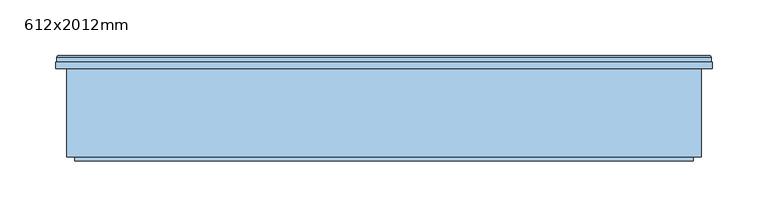
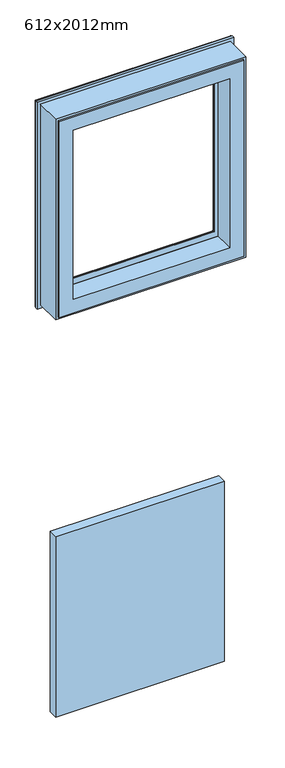
"""IFC4 building model written with IfcOpenShell, lengths in millimetres: window geometry, 612x2012mm."""

from ifc_helpers import new_model, si_unit, frame, origin, place, context, project, spatial, polyline, ellipse_curve, outline, extrude, faceted_brep, source, transform, mapped, element, save
from ifc_brep_helpers import plane_surface, cylinder_surface, revolved_surface, advanced_brep


def window_612x2012mm_6a4050a6(model_context):
    return source(origin(), model_context, "Body", "SolidModel", [
        extrude(outline(polyline([(252.0, 118.5000016), (-252.0, 118.5000016), (-252.0, 146.5000016), (252.0, 146.5000016), (252.0, 118.5000016)])), frame((0.0, 0.0, 854.0), z_axis=(0.0, 0.0, 1.0), x_axis=(1.0, 0.0, 0.0)), (0.0, 0.0, 1.0), 570.6666667),
        faceted_brep([(-256.0, 142.5000017, 2762.0), (-256.0, 118.5000018, 2762.0), (-256.0, 118.5000018, 2183.3333333), (-256.0, 142.5000017, 2183.3333333), (-284.0, 63.3258286, 2790.0), (-284.0, 142.5000017, 2790.0), (-284.0, 142.5000017, 2155.3333333), (-284.0, 63.3258286, 2155.3333333), (-277.2, 59.5000018, 2783.2), (-277.2, 63.3258286, 2783.2), (-277.2, 63.3258286, 2162.1333333), (-277.2, 59.5000018, 2162.1333333), (-234.0, 118.5000018, 2740.0), (-234.0, 59.5000018, 2740.0), (-234.0, 59.5000018, 2205.3333333), (-234.0, 118.5000018, 2205.3333333), (256.0, 118.5000018, 2183.3333333), (256.0, 142.5000017, 2183.3333333), (284.0, 142.5000017, 2155.3333333), (284.0, 63.3258286, 2155.3333333), (277.2, 63.3258286, 2162.1333333), (277.2, 59.5000018, 2162.1333333), (234.0, 59.5000018, 2205.3333333), (234.0, 118.5000018, 2205.3333333), (256.0, 118.5000018, 2762.0), (256.0, 142.5000017, 2762.0), (284.0, 142.5000017, 2790.0), (284.0, 63.3258286, 2790.0), (277.2, 63.3258286, 2783.2), (277.2, 59.5000018, 2783.2), (234.0, 59.5000018, 2740.0), (234.0, 118.5000018, 2740.0)], [[[0, 1, 2, 3]], [[4, 5, 6, 7]], [[8, 9, 10, 11]], [[12, 13, 14, 15]], [[3, 2, 16, 17]], [[7, 6, 18, 19]], [[11, 10, 20, 21]], [[15, 14, 22, 23]], [[17, 16, 24, 25]], [[19, 18, 26, 27]], [[21, 20, 28, 29]], [[23, 22, 30, 31]], [[25, 24, 1, 0]], [[5, 26, 18, 6], [3, 17, 25, 0]], [[27, 26, 5, 4]], [[7, 19, 27, 4], [9, 28, 20, 10]], [[29, 28, 9, 8]], [[11, 21, 29, 8], [13, 30, 22, 14]], [[31, 30, 13, 12]], [[1, 24, 16, 2], [15, 23, 31, 12]]]),
        advanced_brep(
        [(-293.0, 152.5000018, 2799.0), (-291.5000001, 154.0000016, 2797.5000001), (-291.5000001, 154.0000016, 2147.8333332), (-293.0, 152.5000018, 2146.3333334), (-293.0, 148.3866107, 2799.0), (-293.0, 148.3866107, 2146.3333334), (-294.0, 142.5000017, 2800.0), (-294.0, 148.3866107, 2800.0), (-294.0, 148.3866107, 2145.3333333), (-294.0, 142.5000017, 2145.3333333), (-256.0, 146.5000019, 2762.0), (-256.0, 142.5000017, 2762.0), (-256.0, 142.5000017, 2183.3333333), (-256.0, 146.5000019, 2183.3333333), (-237.5192538, 147.4871074, 2743.5192538), (-237.4938789, 146.5000019, 2743.4938789), (-237.4938789, 146.5000019, 2201.8394544), (-237.5192538, 147.4871074, 2201.8140795), (-239.5962483, 148.7951832, 2745.5962483), (-239.5962483, 148.7951832, 2199.737085), (-240.0, 149.7544748, 2746.0), (-240.0, 149.7544748, 2199.3333334), (-240.0, 153.0000016, 2746.0), (-240.0, 153.0000016, 2199.3333334), (-240.5, 153.5000016, 2746.5), (-240.5, 153.5000016, 2198.8333333), (-256.514074, 154.0000016, 2762.514074), (-255.8, 153.5000016, 2761.8), (-255.8, 153.5000016, 2183.5333333), (-256.514074, 154.0000016, 2182.8192593), (291.5000001, 154.0000016, 2147.8333332), (293.0, 152.5000018, 2146.3333334), (293.0, 148.3866107, 2146.3333334), (294.0, 148.3866107, 2145.3333333), (294.0, 142.5000017, 2145.3333333), (256.0, 142.5000017, 2183.3333333), (256.0, 146.5000019, 2183.3333333), (237.4938789, 146.5000019, 2201.8394544), (237.5192538, 147.4871074, 2201.8140795), (239.5962483, 148.7951832, 2199.737085), (240.0, 149.7544748, 2199.3333334), (240.0, 153.0000016, 2199.3333334), (240.5, 153.5000016, 2198.8333333), (255.8, 153.5000016, 2183.5333333), (256.514074, 154.0000016, 2182.8192593), (291.5000001, 154.0000016, 2797.5000001), (293.0, 152.5000018, 2799.0), (293.0, 148.3866107, 2799.0), (294.0, 148.3866107, 2800.0), (294.0, 142.5000017, 2800.0), (256.0, 142.5000017, 2762.0), (256.0, 146.5000019, 2762.0), (237.4938789, 146.5000019, 2743.4938789), (237.5192538, 147.4871074, 2743.5192538), (239.5962483, 148.7951832, 2745.5962483), (240.0, 149.7544748, 2746.0), (240.0, 153.0000016, 2746.0), (240.5, 153.5000016, 2746.5), (255.8, 153.5000016, 2761.8), (256.514074, 154.0000016, 2762.514074)],
        [
            (0, 1, ellipse_curve(frame((-291.5000001, 152.5000018, 2797.5000001), z_axis=(-0.7071067811865475, 0.0, -0.7071067811865475), x_axis=(-0.7071067811865474, 0.0, 0.7071067811865476)), 2.1213201, 1.4999998)),
            (1, 2),
            (2, 3, ellipse_curve(frame((-291.5000001, 152.5000018, 2147.8333332), z_axis=(-0.7071067811865475, 0.0, 0.7071067811865475), x_axis=(0.7071067811865474, 0.0, 0.7071067811865476)), 2.1213201, 1.4999998)),
            (3, 0),
            (4, 0),
            (3, 5),
            (5, 4),
            (6, 7),
            (7, 8),
            (8, 9),
            (9, 6),
            (10, 11),
            (11, 12),
            (12, 13),
            (13, 10),
            (14, 15, ellipse_curve(frame((-237.4938789, 146.9938808, 2743.4938789), z_axis=(-0.7071067811865475, 0.0, -0.7071067811865475), x_axis=(-0.7071067811865474, 0.0, 0.7071067811865476)), 0.6984503, 0.4938789)),
            (15, 16),
            (16, 17, ellipse_curve(frame((-237.4938789, 146.9938808, 2201.8394544), z_axis=(-0.7071067811865475, 0.0, 0.7071067811865475), x_axis=(0.7071067811865474, 0.0, 0.7071067811865476)), 0.6984503, 0.4938789)),
            (17, 14),
            (18, 14, ellipse_curve(frame((-237.6227187, 149.6258125, 2743.6227187), z_axis=(0.7071067811865475, 0.0, 0.7071067811865475), x_axis=(0.7071067811865474, 0.0, -0.7071067811865476)), 3.028123, 2.1412063)),
            (17, 19, ellipse_curve(frame((-237.6227187, 149.6258125, 2201.7106146), z_axis=(0.7071067811865475, 0.0, -0.7071067811865475), x_axis=(-0.7071067811865474, 0.0, -0.7071067811865476)), 3.028123, 2.1412063)),
            (19, 18),
            (20, 18),
            (19, 21),
            (21, 20),
            (22, 20),
            (21, 23),
            (23, 22),
            (24, 22, ellipse_curve(frame((-240.5, 153.0000016, 2746.5), z_axis=(-0.7071067811865475, 0.0, -0.7071067811865475), x_axis=(-0.7071067811865474, 0.0, 0.7071067811865476)), 0.7071068, 0.5)),
            (23, 25, ellipse_curve(frame((-240.5, 153.0000016, 2198.8333333), z_axis=(-0.7071067811865475, 0.0, 0.7071067811865475), x_axis=(0.7071067811865474, 0.0, 0.7071067811865476)), 0.7071068, 0.5)),
            (25, 24),
            (26, 27),
            (27, 28),
            (28, 29),
            (29, 26),
            (2, 30),
            (30, 31, ellipse_curve(frame((291.5000001, 152.5000018, 2147.8333332), z_axis=(-0.7071067811865475, 0.0, -0.7071067811865475), x_axis=(-0.7071067811865476, 0.0, 0.7071067811865474)), 2.1213201, 1.4999998)),
            (31, 3),
            (31, 32),
            (32, 5),
            (8, 33),
            (33, 34),
            (34, 9),
            (12, 35),
            (35, 36),
            (36, 13),
            (16, 37),
            (37, 38, ellipse_curve(frame((237.4938789, 146.9938808, 2201.8394544), z_axis=(-0.7071067811865475, 0.0, -0.7071067811865475), x_axis=(-0.7071067811865476, 0.0, 0.7071067811865474)), 0.6984503, 0.4938789)),
            (38, 17),
            (38, 39, ellipse_curve(frame((237.6227187, 149.6258125, 2201.7106146), z_axis=(0.7071067811865475, 0.0, 0.7071067811865475), x_axis=(0.7071067811865476, 0.0, -0.7071067811865474)), 3.028123, 2.1412063)),
            (39, 19),
            (39, 40),
            (40, 21),
            (40, 41),
            (41, 23),
            (41, 42, ellipse_curve(frame((240.5, 153.0000016, 2198.8333333), z_axis=(-0.7071067811865475, 0.0, -0.7071067811865475), x_axis=(-0.7071067811865476, 0.0, 0.7071067811865474)), 0.7071068, 0.5)),
            (42, 25),
            (28, 43),
            (43, 44),
            (44, 29),
            (30, 45),
            (45, 46, ellipse_curve(frame((291.5000001, 152.5000018, 2797.5000001), z_axis=(0.7071067811865475, 0.0, -0.7071067811865475), x_axis=(-0.7071067811865474, 0.0, -0.7071067811865476)), 2.1213201, 1.4999998)),
            (46, 31),
            (46, 47),
            (47, 32),
            (33, 48),
            (48, 49),
            (49, 34),
            (35, 50),
            (50, 51),
            (51, 36),
            (37, 52),
            (52, 53, ellipse_curve(frame((237.4938789, 146.9938808, 2743.4938789), z_axis=(0.7071067811865475, 0.0, -0.7071067811865475), x_axis=(-0.7071067811865474, 0.0, -0.7071067811865476)), 0.6984503, 0.4938789)),
            (53, 38),
            (53, 54, ellipse_curve(frame((237.6227187, 149.6258125, 2743.6227187), z_axis=(-0.7071067811865475, 0.0, 0.7071067811865475), x_axis=(0.7071067811865474, 0.0, 0.7071067811865476)), 3.028123, 2.1412063)),
            (54, 39),
            (54, 55),
            (55, 40),
            (55, 56),
            (56, 41),
            (56, 57, ellipse_curve(frame((240.5, 153.0000016, 2746.5), z_axis=(0.7071067811865475, 0.0, -0.7071067811865475), x_axis=(-0.7071067811865474, 0.0, -0.7071067811865476)), 0.7071068, 0.5)),
            (57, 42),
            (43, 58),
            (58, 59),
            (59, 44),
            (1, 45),
            (59, 26),
            (0, 46),
            (4, 47),
            (7, 48),
            (6, 49),
            (11, 50),
            (10, 51),
            (15, 52),
            (14, 53),
            (18, 54),
            (20, 55),
            (22, 56),
            (24, 57),
            (27, 58),
        ],
        [
            cylinder_surface(frame((-291.5000001, 152.5000018, 2800.0), z_axis=(0.0, 0.0, 1.0), x_axis=(1.0, 0.0, 0.0)), 1.4999998),
            plane_surface(frame((-293.0, 152.5000018, 2799.0), z_axis=(-1.0, 0.0, 0.0), x_axis=(0.0, 0.0, -1.0))),
            plane_surface(frame((-294.0, 148.3866107, 2800.0), z_axis=(-1.0, 0.0, 0.0), x_axis=(0.0, 0.0, -1.0))),
            plane_surface(frame((-256.0, 142.5000017, 2762.0), z_axis=(1.0, 0.0, 0.0), x_axis=(0.0, 0.0, -1.0))),
            cylinder_surface(frame((-237.4938789, 146.9938808, 2800.0), z_axis=(0.0, 0.0, 1.0), x_axis=(1.0, 0.0, 0.0)), 0.4938789),
            revolved_surface(polyline([(-235.4815124, 149.6258125, 2199.5694082924333), (-235.4815124, 149.6258125, 2745.7639250075667)]), (-237.6227187, 149.6258125, 2800.0), (0.0, 0.0, -1.0)),
            plane_surface(frame((-239.5962483, 148.7951832, 2745.5962483), z_axis=(0.9216905703602001, 0.38792588533003225, 0.0), x_axis=(0.0, 0.0, -1.0))),
            plane_surface(frame((-240.0, 149.7544748, 2746.0), z_axis=(1.0, 0.0, 0.0), x_axis=(0.0, 0.0, -1.0))),
            cylinder_surface(frame((-240.5, 153.0000016, 2800.0), z_axis=(0.0, 0.0, 1.0), x_axis=(1.0, 0.0, 0.0)), 0.5),
            plane_surface(frame((-255.8, 153.5000016, 2761.8), z_axis=(0.5735764363510224, 0.8191520442890085, 0.0), x_axis=(0.0, 0.0, -1.0))),
            cylinder_surface(frame((-294.0, 152.5000018, 2147.8333332), z_axis=(-1.0, 0.0, 0.0), x_axis=(0.0, 0.0, 1.0)), 1.4999998),
            plane_surface(frame((-293.0, 152.5000018, 2146.3333334), z_axis=(0.0, 0.0, -1.0), x_axis=(1.0, 0.0, 0.0))),
            plane_surface(frame((-294.0, 148.3866107, 2145.3333333), z_axis=(0.0, 0.0, -1.0), x_axis=(1.0, 0.0, 0.0))),
            plane_surface(frame((-256.0, 142.5000017, 2183.3333333), z_axis=(0.0, 0.0, 1.0), x_axis=(1.0, 0.0, 0.0))),
            cylinder_surface(frame((-294.0, 146.9938808, 2201.8394544), z_axis=(-1.0, 0.0, 0.0), x_axis=(0.0, 0.0, 1.0)), 0.4938789),
            revolved_surface(polyline([(239.76392500756685, 149.6258125, 2203.8518209), (-239.76392500756697, 149.6258125, 2203.8518209)]), (-294.0, 149.6258125, 2201.7106146), (1.0, 0.0, 0.0)),
            plane_surface(frame((-239.5962483, 148.7951832, 2199.737085), z_axis=(0.0, 0.3879258853300352, 0.9216905703601987), x_axis=(1.0, 0.0, 0.0))),
            plane_surface(frame((-240.0, 149.7544748, 2199.3333334), z_axis=(0.0, 0.0, 1.0), x_axis=(1.0, 0.0, 0.0))),
            cylinder_surface(frame((-294.0, 153.0000016, 2198.8333333), z_axis=(-1.0, 0.0, 0.0), x_axis=(0.0, 0.0, 1.0)), 0.5),
            plane_surface(frame((-255.8, 153.5000016, 2183.5333333), z_axis=(0.0, 0.8191520442890103, 0.5735764363510197), x_axis=(1.0, 0.0, 0.0))),
            cylinder_surface(frame((291.5000001, 152.5000018, 2145.3333333), z_axis=(0.0, 0.0, -1.0), x_axis=(-1.0, 0.0, 0.0)), 1.4999998),
            plane_surface(frame((293.0, 152.5000018, 2146.3333334), z_axis=(1.0, 0.0, 0.0), x_axis=(0.0, 0.0, 1.0))),
            plane_surface(frame((294.0, 148.3866107, 2145.3333333), z_axis=(1.0, 0.0, 0.0), x_axis=(0.0, 0.0, 1.0))),
            plane_surface(frame((256.0, 142.5000017, 2183.3333333), z_axis=(-1.0, 0.0, 0.0), x_axis=(0.0, 0.0, 1.0))),
            cylinder_surface(frame((237.4938789, 146.9938808, 2145.3333333), z_axis=(0.0, 0.0, -1.0), x_axis=(-1.0, 0.0, 0.0)), 0.4938789),
            revolved_surface(polyline([(235.4815124, 149.6258125, 2745.7639250075667), (235.4815124, 149.6258125, 2199.5694082924333)]), (237.6227187, 149.6258125, 2145.3333333), (0.0, 0.0, 1.0)),
            plane_surface(frame((239.5962483, 148.7951832, 2199.737085), z_axis=(-0.9216905703601974, 0.38792588533003813, 0.0), x_axis=(0.0, 0.0, 1.0))),
            plane_surface(frame((240.0, 149.7544748, 2199.3333334), z_axis=(-1.0, 0.0, 0.0), x_axis=(0.0, 0.0, 1.0))),
            cylinder_surface(frame((240.5, 153.0000016, 2145.3333333), z_axis=(0.0, 0.0, -1.0), x_axis=(-1.0, 0.0, 0.0)), 0.5),
            plane_surface(frame((255.8, 153.5000016, 2183.5333333), z_axis=(-0.5735764363510171, 0.8191520442890122, 0.0), x_axis=(0.0, 0.0, 1.0))),
            plane_surface(frame((256.514074, 154.0000016, 2762.514074), z_axis=(0.0, 1.0, 0.0), x_axis=(-1.0, 0.0, 0.0))),
            cylinder_surface(frame((294.0, 152.5000018, 2797.5000001), z_axis=(1.0, 0.0, 0.0), x_axis=(0.0, 0.0, -1.0)), 1.4999998),
            plane_surface(frame((293.0, 152.5000018, 2799.0), z_axis=(0.0, 0.0, 1.0), x_axis=(-1.0, 0.0, 0.0))),
            plane_surface(frame((293.0, 148.3866107, 2799.0), z_axis=(0.0, 1.0, 0.0), x_axis=(-1.0, 0.0, 0.0))),
            plane_surface(frame((294.0, 148.3866107, 2800.0), z_axis=(0.0, 0.0, 1.0), x_axis=(-1.0, 0.0, 0.0))),
            plane_surface(frame((294.0, 142.5000017, 2800.0), z_axis=(0.0, -1.0, 0.0), x_axis=(-1.0, 0.0, 0.0))),
            plane_surface(frame((256.0, 142.5000017, 2762.0), z_axis=(0.0, 0.0, -1.0), x_axis=(-1.0, 0.0, 0.0))),
            plane_surface(frame((256.0, 146.5000019, 2762.0), z_axis=(0.0, -1.0, 0.0), x_axis=(-1.0, 0.0, 0.0))),
            cylinder_surface(frame((294.0, 146.9938808, 2743.4938789), z_axis=(1.0, 0.0, 0.0), x_axis=(0.0, 0.0, -1.0)), 0.4938789),
            revolved_surface(polyline([(-239.76392500756685, 149.6258125, 2741.4815124), (239.76392500756697, 149.6258125, 2741.4815124)]), (294.0, 149.6258125, 2743.6227187), (-1.0, 0.0, 0.0)),
            plane_surface(frame((239.5962483, 148.7951832, 2745.5962483), z_axis=(0.0, 0.3879258853300352, -0.9216905703601987), x_axis=(-1.0, 0.0, 0.0))),
            plane_surface(frame((240.0, 149.7544748, 2746.0), z_axis=(0.0, 0.0, -1.0), x_axis=(-1.0, 0.0, 0.0))),
            cylinder_surface(frame((294.0, 153.0000016, 2746.5), z_axis=(1.0, 0.0, 0.0), x_axis=(0.0, 0.0, -1.0)), 0.5),
            plane_surface(frame((240.5, 153.5000016, 2746.5), z_axis=(0.0, 1.0, 0.0), x_axis=(-1.0, 0.0, 0.0))),
            plane_surface(frame((255.8, 153.5000016, 2761.8), z_axis=(0.0, 0.8191520442890103, -0.5735764363510197), x_axis=(-1.0, 0.0, 0.0))),
        ],
        [
            (0, [[1, 2, 3, 4]]),
            (1, [[5, -4, 6, 7]]),
            (2, [[8, 9, 10, 11]]),
            (3, [[12, 13, 14, 15]]),
            (4, [[16, 17, 18, 19]]),
            (5, [[20, -19, 21, 22]]),
            (6, [[23, -22, 24, 25]]),
            (7, [[26, -25, 27, 28]]),
            (8, [[29, -28, 30, 31]]),
            (9, [[32, 33, 34, 35]]),
            (10, [[-3, 36, 37, 38]]),
            (11, [[-6, -38, 39, 40]]),
            (12, [[-10, 41, 42, 43]]),
            (13, [[-14, 44, 45, 46]]),
            (14, [[-18, 47, 48, 49]]),
            (15, [[-21, -49, 50, 51]]),
            (16, [[-24, -51, 52, 53]]),
            (17, [[-27, -53, 54, 55]]),
            (18, [[-30, -55, 56, 57]]),
            (19, [[-34, 58, 59, 60]]),
            (20, [[-37, 61, 62, 63]]),
            (21, [[-39, -63, 64, 65]]),
            (22, [[-42, 66, 67, 68]]),
            (23, [[-45, 69, 70, 71]]),
            (24, [[-48, 72, 73, 74]]),
            (25, [[-50, -74, 75, 76]]),
            (26, [[-52, -76, 77, 78]]),
            (27, [[-54, -78, 79, 80]]),
            (28, [[-56, -80, 81, 82]]),
            (29, [[-59, 83, 84, 85]]),
            (30, [[86, -61, -36, -2], [-60, -85, 87, -35]]),
            (31, [[-62, -86, -1, 88]]),
            (32, [[-64, -88, -5, 89]]),
            (33, [[90, -66, -41, -9], [-40, -65, -89, -7]]),
            (34, [[-67, -90, -8, 91]]),
            (35, [[-43, -68, -91, -11], [92, -69, -44, -13]]),
            (36, [[-70, -92, -12, 93]]),
            (37, [[-46, -71, -93, -15], [94, -72, -47, -17]]),
            (38, [[-73, -94, -16, 95]]),
            (39, [[-75, -95, -20, 96]]),
            (40, [[-77, -96, -23, 97]]),
            (41, [[-79, -97, -26, 98]]),
            (42, [[-81, -98, -29, 99]]),
            (43, [[100, -83, -58, -33], [-57, -82, -99, -31]]),
            (44, [[-84, -100, -32, -87]]),
        ],
    ),
    ])


if __name__ == "__main__":
    model = new_model("IFC4")
    model_context = context("Model", 3, world=origin())
    ifc_project = project(units=[si_unit("LENGTHUNIT", "METRE", prefix="MILLI")], contexts=[model_context])
    site = spatial("IfcSite", under=ifc_project)
    building = spatial("IfcBuilding", under=site)
    placement = place(None, origin())
    window_612x2012mm_shape = window_612x2012mm_6a4050a6(model_context)
    element("IfcWindow", 1, ObjectType="612x2012mm", at=placement, inside=building, context=model_context, shape_type="MappedRepresentation", body=[
        mapped(window_612x2012mm_shape, transform((0.0, 0.0, 0.0), x_axis=(1.0, 0.0, 0.0), y_axis=(0.0, 1.0, 0.0), z_axis=(0.0, 0.0, 1.0))),
    ])
    save(model, "model.ifc")
